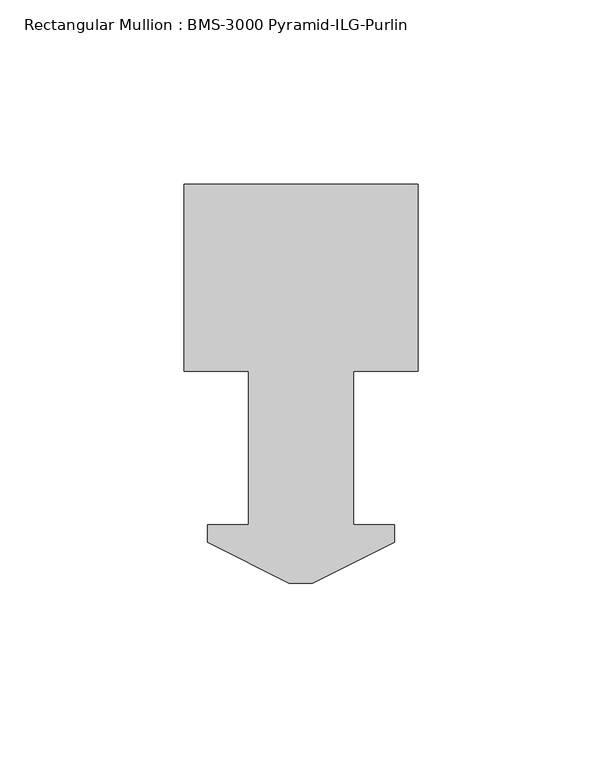
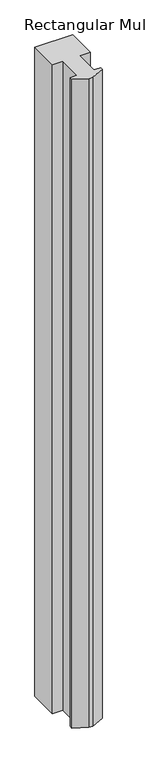
"""IFC4 building model written with IfcOpenShell, lengths in millimetres: member geometry, Rectangular Mullion : BMS-3000 Pyramid-ILG-Purlin."""

import ifcopenshell
import ifcopenshell.guid

model = None  # the IFC model being written
_history = None  # IfcOwnerHistory: only IFC2X3 demands one
_inside = {}  # id of a spatial element -> (the spatial element, [elements in it])
_under = {}  # id of a project, library or spatial element -> (it, [spatial elements below it])
_declared = {}  # id of a project -> (the project, [libraries it declares])
_typed = {}  # id of a type object -> (the type object, [elements of that type])
_made_of = {}  # id of a material, layer set ... -> (it, [elements and type objects made of it])


def new_model(schema):
    """Start an empty IFC model of exactly this schema.

    Asked for "IFC4X3", IfcOpenShell would pick the latest addendum, in which some entities
    have other attributes; the version numbers below select the first issue.
    IFC2X3 requires an IfcOwnerHistory on every rooted entity: one is made here for all.
    """
    global model, _history
    if schema == "IFC4X3":
        model = ifcopenshell.file(schema_version=(4, 3, 0, 0))
    else:
        model = ifcopenshell.file(schema=schema)
    _inside.clear()
    _under.clear()
    _declared.clear()
    _typed.clear()
    _made_of.clear()
    _history = None
    if model.schema == "IFC2X3":
        org = make("IfcOrganization", Name="unknown")
        user = make(
            "IfcPersonAndOrganization",
            ThePerson=make("IfcPerson", FamilyName="unknown"),
            TheOrganization=org,
        )
        app = make(
            "IfcApplication",
            ApplicationDeveloper=org,
            Version="unknown",
            ApplicationFullName="unknown",
            ApplicationIdentifier="unknown",
        )
        _history = make(
            "IfcOwnerHistory",
            OwningUser=user,
            OwningApplication=app,
            ChangeAction="ADDED",
            CreationDate=0,
        )
    return model


def make(cls, **values):
    """One entity of the class cls with the attributes given. An attribute that is None is left unset."""
    return model.create_entity(
        cls, **{name: value for name, value in values.items() if value is not None}
    )


def rooted(cls, **values):
    """An entity with a GlobalId (a new one), such as an element, a storey or a relation."""
    return make(cls, GlobalId=ifcopenshell.guid.new(), OwnerHistory=_history, **values)


def si_unit(unit_type, name, prefix=None):
    """IfcSIUnit, for example si_unit("LENGTHUNIT", "METRE", prefix="MILLI")."""
    return make("IfcSIUnit", UnitType=unit_type, Prefix=prefix, Name=name)


def assignment(units):
    """IfcUnitAssignment: the units of a project."""
    return None if units is None else make("IfcUnitAssignment", Units=units)


def point(xyz):
    """IfcCartesianPoint."""
    return None if xyz is None else make("IfcCartesianPoint", Coordinates=xyz)


def direction(xyz):
    """IfcDirection."""
    return None if xyz is None else make("IfcDirection", DirectionRatios=xyz)


def frame(location, z_axis=None, x_axis=None):
    """IfcAxis2Placement3D, a coordinate frame: its origin and axes. An axis left out is left unset."""
    return make(
        "IfcAxis2Placement3D",
        Location=point(location),
        Axis=direction(z_axis),
        RefDirection=direction(x_axis),
    )


def origin():
    """The frame at (0, 0, 0) with its axes left unset."""
    return frame((0.0, 0.0, 0.0))


def place(relative_to, where):
    """IfcLocalPlacement: puts the frame where relative to a parent placement (None: the world)."""
    return make(
        "IfcLocalPlacement", PlacementRelTo=relative_to, RelativePlacement=where
    )


def context(
    kind, dimensions, precision=None, world=None, true_north=None, identifier=None
):
    """IfcGeometricRepresentationContext, for example the 3D "Model" context."""
    return make(
        "IfcGeometricRepresentationContext",
        ContextIdentifier=identifier,
        ContextType=kind,
        CoordinateSpaceDimension=dimensions,
        Precision=precision,
        WorldCoordinateSystem=world,
        TrueNorth=true_north,
    )


def project(units=None, contexts=None):
    """IfcProject with its units and contexts."""
    return rooted(
        "IfcProject",
        Name="project",
        RepresentationContexts=contexts,
        UnitsInContext=assignment(units),
    )


def spatial(cls, under=None, at=None, **own):
    """A site, building, storey or space (cls), placed at a placement, below another one or the project."""
    s = rooted(cls, ObjectPlacement=at, **own)
    if under is not None:
        _under.setdefault(under.id(), (under, []))[1].append(s)
    return s


def polyline(points):
    """IfcPolyline through the points."""
    return make("IfcPolyline", Points=[point(p) for p in points])


def outline(outer, holes=None, kind="AREA"):
    """IfcArbitraryClosedProfileDef: a profile drawn as a closed curve; with holes, ...WithVoids."""
    if holes is None:
        return make("IfcArbitraryClosedProfileDef", ProfileType=kind, OuterCurve=outer)
    return make(
        "IfcArbitraryProfileDefWithVoids",
        ProfileType=kind,
        OuterCurve=outer,
        InnerCurves=holes,
    )


def extrude(swept, where, along, depth):
    """IfcExtrudedAreaSolid: the profile swept, set in the frame where, extruded along a direction by depth."""
    return make(
        "IfcExtrudedAreaSolid",
        SweptArea=swept,
        Position=where,
        ExtrudedDirection=direction(along),
        Depth=depth,
    )


def shape(context_of_items, identifier, shape_type, items):
    """IfcShapeRepresentation: the items that make up one representation, for example the "Body"."""
    return make(
        "IfcShapeRepresentation",
        ContextOfItems=context_of_items,
        RepresentationIdentifier=identifier,
        RepresentationType=shape_type,
        Items=items,
    )


def source(mapping_origin, context_of_items, identifier, shape_type, items):
    """IfcRepresentationMap: a shape defined once, which mapped items show again and again."""
    return make(
        "IfcRepresentationMap",
        MappingOrigin=mapping_origin,
        MappedRepresentation=shape(context_of_items, identifier, shape_type, items),
    )


def transform(
    local_origin,
    x_axis=None,
    y_axis=None,
    z_axis=None,
    scale=None,
    scale2=None,
    scale3=None,
    uniform=True,
):
    """IfcCartesianTransformationOperator3D, or its non-uniform kind. x_axis, y_axis, z_axis: its Axis1, 2, 3."""
    if uniform:
        return make(
            "IfcCartesianTransformationOperator3D",
            Axis1=direction(x_axis),
            Axis2=direction(y_axis),
            LocalOrigin=point(local_origin),
            Scale=scale,
            Axis3=direction(z_axis),
        )
    return make(
        "IfcCartesianTransformationOperator3DnonUniform",
        Axis1=direction(x_axis),
        Axis2=direction(y_axis),
        LocalOrigin=point(local_origin),
        Scale=scale,
        Axis3=direction(z_axis),
        Scale2=scale2,
        Scale3=scale3,
    )


def mapped(mapping_source, mapping_target):
    """IfcMappedItem: shows the shape of a source again, moved by a transform."""
    return make(
        "IfcMappedItem", MappingSource=mapping_source, MappingTarget=mapping_target
    )


def made_of(thing, what):
    """Note that an element or type object is made of a material, layer set ...; save() writes the relation."""
    if what is not None:
        _made_of.setdefault(what.id(), (what, []))[1].append(thing)
    return thing


def element(
    cls,
    number,
    at=None,
    inside=None,
    cuts=None,
    type_object=None,
    material=None,
    context=None,
    identifier="Body",
    shape_type=None,
    held_by="IfcProductDefinitionShape",
    body=None,
    shapes=None,
    **own,
):
    """One element of the class cls, such as IfcWall. Its Tag is "e" and its number.

    at: its placement. inside: the storey or other place that contains it. cuts: it is an
    opening in that element (IfcRelVoidsElement). A single representation is given by context,
    identifier, shape_type and body (its items); several are given by shapes. held_by: the class
    of the entity that holds the representations. save() writes the other relations.
    """
    e = rooted(cls, Tag="e%d" % number, ObjectPlacement=at, **own)
    if body is not None:
        shapes = [shape(context, identifier, shape_type, body)]
    if shapes is not None:
        e.Representation = make(held_by, Representations=shapes)
    if inside is not None:
        _inside.setdefault(inside.id(), (inside, []))[1].append(e)
    if cuts is not None:
        rooted(
            "IfcRelVoidsElement", RelatingBuildingElement=cuts, RelatedOpeningElement=e
        )
    if type_object is not None:
        _typed.setdefault(type_object.id(), (type_object, []))[1].append(e)
    return made_of(e, material)


def aggregate(whole, parts):
    """IfcRelAggregates: a whole, such as a stair, and the parts it consists of."""
    return rooted("IfcRelAggregates", RelatingObject=whole, RelatedObjects=parts)


def save(model, path):
    """Write the relations noted so far, then the file.

    IfcRelAggregates (storeys below a building ...), IfcRelContainedInSpatialStructure (elements
    in a storey), IfcRelDefinesByType, IfcRelAssociatesMaterial and IfcRelDeclares: one each for
    every whole, place, type object, material and project.
    """
    for whole, parts in _under.values():
        aggregate(whole, parts)
    for where, things in _inside.values():
        rooted(
            "IfcRelContainedInSpatialStructure",
            RelatedElements=things,
            RelatingStructure=where,
        )
    for kind, things in _typed.values():
        rooted("IfcRelDefinesByType", RelatedObjects=things, RelatingType=kind)
    for what, things in _made_of.values():
        rooted("IfcRelAssociatesMaterial", RelatedObjects=things, RelatingMaterial=what)
    for by, libraries in _declared.values():
        rooted("IfcRelDeclares", RelatingContext=by, RelatedDefinitions=libraries)
    model.write(path)


def rectangular_mullion_bms_3000_pyramid_ilg_purlin_82142794(model_context):
    return source(origin(), model_context, "Body", "SweptSolid", [
        extrude(outline(polyline([(-31.75, 54.1734375), (-31.75, 104.9734375), (31.75, 104.9734375), (31.75, 54.1734375), (14.2748, 54.1734375), (14.2748, 12.5428375), (25.4, 12.5428375), (25.4, 7.7676375), (3.175, -3.3321625), (-3.175, -3.3321625), (-25.4, 7.7676375), (-25.4, 12.5428375), (-14.2748, 12.5428375), (-14.2748, 54.1734375), (-31.75, 54.1734375)])), frame((0.0, 0.0, -1155.7), z_axis=(0.0, 0.0, 1.0), x_axis=(1.0, 0.0, 0.0)), (0.0, 0.0, 1.0), 1155.7),
    ])


if __name__ == "__main__":
    model = new_model("IFC4")
    model_context = context("Model", 3, world=origin())
    ifc_project = project(units=[si_unit("LENGTHUNIT", "METRE", prefix="MILLI")], contexts=[model_context])
    site = spatial("IfcSite", under=ifc_project)
    building = spatial("IfcBuilding", under=site)
    placement = place(None, origin())
    rectangular_mullion_bms_3000_pyramid_ilg_purlin_shape = rectangular_mullion_bms_3000_pyramid_ilg_purlin_82142794(model_context)
    element("IfcMember", 1, ObjectType="Rectangular Mullion : BMS-3000 Pyramid-ILG-Purlin", at=placement, inside=building, context=model_context, shape_type="MappedRepresentation", body=[
        mapped(rectangular_mullion_bms_3000_pyramid_ilg_purlin_shape, transform((0.0, 0.0, 0.0), x_axis=(1.0, 0.0, 0.0), y_axis=(0.0, 1.0, 0.0), z_axis=(0.0, 0.0, 1.0))),
    ])
    save(model, "model.ifc")
